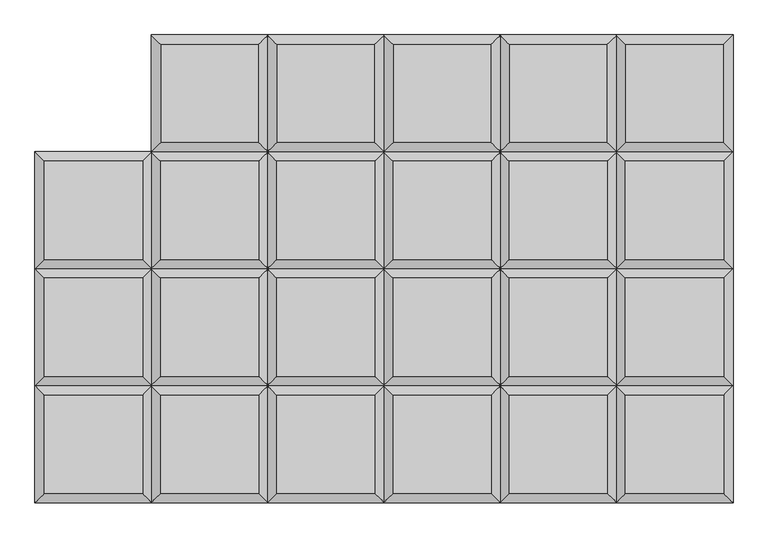
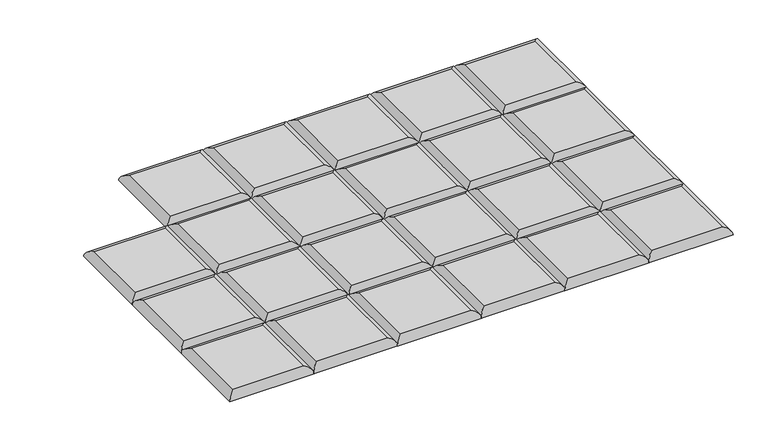
"""IFC4 building model written with IfcOpenShell, lengths in millimetres: furniture geometry."""

from ifc_helpers import new_model, si_unit, frame, origin, place, context, project, spatial, ellipse_curve, source, transform, mapped, element, save
from ifc_brep_helpers import plane_surface, cylinder_surface, advanced_brep


def furniture_375f0c84(model_context):
    return source(origin(), model_context, "Body", "AdvancedBrep", [
        advanced_brep(
        [(755.1519878, 204.2894878, 411.6605122), (568.8230122, 204.2894878, 411.6605122), (568.8230122, 17.9605122, 411.6605122), (755.1519878, 17.9605122, 411.6605122), (773.1125, 0.0, 393.7), (550.8625, 0.0, 393.7), (550.8625, 222.25, 393.7), (773.1125, 222.25, 393.7)],
        [
            (0, 1),
            (1, 2),
            (2, 3),
            (3, 0),
            (4, 5),
            (5, 6),
            (6, 7),
            (7, 4),
            (7, 0, ellipse_curve(frame((755.1519878, 204.2894878, 393.7), z_axis=(0.7071067811865475, -0.7071067811865475, 0.0), x_axis=(-0.7071067811865474, -0.7071067811865476, 0.0)), 25.4, 17.9605122)),
            (3, 4, ellipse_curve(frame((755.1519878, 17.9605122, 393.7), z_axis=(0.7071067811865475, 0.7071067811865475, 0.0), x_axis=(0.7071067811865474, -0.7071067811865476, 0.0)), 25.4, 17.9605122)),
            (6, 1, ellipse_curve(frame((568.8230122, 204.2894878, 393.7), z_axis=(0.7071067811865475, 0.7071067811865475, 0.0), x_axis=(0.7071067811865476, -0.7071067811865474, 0.0)), 25.4, 17.9605122)),
            (5, 2, ellipse_curve(frame((568.8230122, 17.9605122, 393.7), z_axis=(-0.7071067811865475, 0.7071067811865475, 0.0), x_axis=(0.7071067811865474, 0.7071067811865476, 0.0)), 25.4, 17.9605122)),
        ],
        [
            plane_surface(frame((568.8230122, 17.9605122, 411.6605122), z_axis=(0.0, 0.0, 1.0), x_axis=(-1.0, 0.0, 0.0))),
            plane_surface(frame((568.8230122, 17.9605122, 393.7), z_axis=(0.0, 0.0, -1.0), x_axis=(1.0, 0.0, 0.0))),
            cylinder_surface(frame((755.1519878, 0.0, 393.7), z_axis=(0.0, -1.0, 0.0), x_axis=(1.0, 0.0, 0.0)), 17.9605122),
            cylinder_surface(frame((773.1125, 204.2894878, 393.7), z_axis=(1.0, 0.0, 0.0), x_axis=(0.0, 1.0, 0.0)), 17.9605122),
            cylinder_surface(frame((568.8230122, 222.25, 393.7), z_axis=(0.0, 1.0, 0.0), x_axis=(-1.0, 0.0, 0.0)), 17.9605122),
            cylinder_surface(frame((550.8625, 17.9605122, 393.7), z_axis=(-1.0, 0.0, 0.0), x_axis=(0.0, -1.0, 0.0)), 17.9605122),
        ],
        [
            (0, [[1, 2, 3, 4]]),
            (1, [[5, 6, 7, 8]]),
            (2, [[-8, 9, -4, 10]]),
            (3, [[-7, 11, -1, -9]]),
            (4, [[-6, 12, -2, -11]]),
            (5, [[-3, -12, -5, -10]]),
        ],
    ),
        advanced_brep(
        [(755.1519878, -17.9605122, 411.6605122), (568.8230122, -17.9605122, 411.6605122), (568.8230122, -204.2894878, 411.6605122), (755.1519878, -204.2894878, 411.6605122), (773.1125, -222.25, 393.7), (550.8625, -222.25, 393.7), (550.8625, 0.0, 393.7), (773.1125, 0.0, 393.7)],
        [
            (0, 1),
            (1, 2),
            (2, 3),
            (3, 0),
            (4, 5),
            (5, 6),
            (6, 7),
            (7, 4),
            (7, 0, ellipse_curve(frame((755.1519878, -17.9605122, 393.7), z_axis=(0.7071067811865475, -0.7071067811865475, 0.0), x_axis=(-0.7071067811865474, -0.7071067811865476, 0.0)), 25.4, 17.9605122)),
            (3, 4, ellipse_curve(frame((755.1519878, -204.2894878, 393.7), z_axis=(0.7071067811865475, 0.7071067811865475, 0.0), x_axis=(0.7071067811865474, -0.7071067811865476, 0.0)), 25.4, 17.9605122)),
            (6, 1, ellipse_curve(frame((568.8230122, -17.9605122, 393.7), z_axis=(0.7071067811865475, 0.7071067811865475, 0.0), x_axis=(0.7071067811865476, -0.7071067811865474, 0.0)), 25.4, 17.9605122)),
            (5, 2, ellipse_curve(frame((568.8230122, -204.2894878, 393.7), z_axis=(-0.7071067811865475, 0.7071067811865475, 0.0), x_axis=(0.7071067811865474, 0.7071067811865476, 0.0)), 25.4, 17.9605122)),
        ],
        [
            plane_surface(frame((568.8230122, -204.2894878, 411.6605122), z_axis=(0.0, 0.0, 1.0), x_axis=(-1.0, 0.0, 0.0))),
            plane_surface(frame((568.8230122, -204.2894878, 393.7), z_axis=(0.0, 0.0, -1.0), x_axis=(1.0, 0.0, 0.0))),
            cylinder_surface(frame((755.1519878, -222.25, 393.7), z_axis=(0.0, -1.0, 0.0), x_axis=(1.0, 0.0, 0.0)), 17.9605122),
            cylinder_surface(frame((773.1125, -17.9605122, 393.7), z_axis=(1.0, 0.0, 0.0), x_axis=(0.0, 1.0, 0.0)), 17.9605122),
            cylinder_surface(frame((568.8230122, 0.0, 393.7), z_axis=(0.0, 1.0, 0.0), x_axis=(-1.0, 0.0, 0.0)), 17.9605122),
            cylinder_surface(frame((550.8625, -204.2894878, 393.7), z_axis=(-1.0, 0.0, 0.0), x_axis=(0.0, -1.0, 0.0)), 17.9605122),
        ],
        [
            (0, [[1, 2, 3, 4]]),
            (1, [[5, 6, 7, 8]]),
            (2, [[-8, 9, -4, 10]]),
            (3, [[-7, 11, -1, -9]]),
            (4, [[-6, 12, -2, -11]]),
            (5, [[-3, -12, -5, -10]]),
        ],
    ),
        advanced_brep(
        [(755.1519878, -240.2105122, 411.6605122), (568.8230122, -240.2105122, 411.6605122), (568.8230122, -426.5394878, 411.6605122), (755.1519878, -426.5394878, 411.6605122), (773.1125, -444.5, 393.7), (550.8625, -444.5, 393.7), (550.8625, -222.25, 393.7), (773.1125, -222.25, 393.7)],
        [
            (0, 1),
            (1, 2),
            (2, 3),
            (3, 0),
            (4, 5),
            (5, 6),
            (6, 7),
            (7, 4),
            (7, 0, ellipse_curve(frame((755.1519878, -240.2105122, 393.7), z_axis=(0.7071067811865475, -0.7071067811865475, 0.0), x_axis=(-0.7071067811865474, -0.7071067811865476, 0.0)), 25.4, 17.9605122)),
            (3, 4, ellipse_curve(frame((755.1519878, -426.5394878, 393.7), z_axis=(0.7071067811865475, 0.7071067811865475, 0.0), x_axis=(0.7071067811865474, -0.7071067811865476, 0.0)), 25.4, 17.9605122)),
            (6, 1, ellipse_curve(frame((568.8230122, -240.2105122, 393.7), z_axis=(0.7071067811865475, 0.7071067811865475, 0.0), x_axis=(0.7071067811865476, -0.7071067811865474, 0.0)), 25.4, 17.9605122)),
            (5, 2, ellipse_curve(frame((568.8230122, -426.5394878, 393.7), z_axis=(-0.7071067811865475, 0.7071067811865475, 0.0), x_axis=(0.7071067811865474, 0.7071067811865476, 0.0)), 25.4, 17.9605122)),
        ],
        [
            plane_surface(frame((568.8230122, -426.5394878, 411.6605122), z_axis=(0.0, 0.0, 1.0), x_axis=(-1.0, 0.0, 0.0))),
            plane_surface(frame((568.8230122, -426.5394878, 393.7), z_axis=(0.0, 0.0, -1.0), x_axis=(1.0, 0.0, 0.0))),
            cylinder_surface(frame((755.1519878, -444.5, 393.7), z_axis=(0.0, -1.0, 0.0), x_axis=(1.0, 0.0, 0.0)), 17.9605122),
            cylinder_surface(frame((773.1125, -240.2105122, 393.7), z_axis=(1.0, 0.0, 0.0), x_axis=(0.0, 1.0, 0.0)), 17.9605122),
            cylinder_surface(frame((568.8230122, -222.25, 393.7), z_axis=(0.0, 1.0, 0.0), x_axis=(-1.0, 0.0, 0.0)), 17.9605122),
            cylinder_surface(frame((550.8625, -426.5394878, 393.7), z_axis=(-1.0, 0.0, 0.0), x_axis=(0.0, -1.0, 0.0)), 17.9605122),
        ],
        [
            (0, [[1, 2, 3, 4]]),
            (1, [[5, 6, 7, 8]]),
            (2, [[-8, 9, -4, 10]]),
            (3, [[-7, 11, -1, -9]]),
            (4, [[-6, 12, -2, -11]]),
            (5, [[-3, -12, -5, -10]]),
        ],
    ),
        advanced_brep(
        [(773.1125, 222.25, 393.7), (773.1125, 444.5, 393.7), (755.1519878, 426.5394878, 411.6605122), (755.1519878, 240.2105122, 411.6605122), (550.8625, 444.5, 393.7), (568.8230122, 426.5394878, 411.6605122), (550.8625, 222.25, 393.7), (568.8230122, 240.2105122, 411.6605122)],
        [
            (0, 1),
            (1, 2, ellipse_curve(frame((755.1519878, 426.5394878, 393.7), z_axis=(0.7071067811865475, -0.7071067811865475, 0.0), x_axis=(-0.7071067811865474, -0.7071067811865476, 0.0)), 25.4, 17.9605122)),
            (2, 3),
            (3, 0, ellipse_curve(frame((755.1519878, 240.2105122, 393.7), z_axis=(0.7071067811865475, 0.7071067811865475, 0.0), x_axis=(0.7071067811865474, -0.7071067811865476, 0.0)), 25.4, 17.9605122)),
            (1, 4),
            (4, 5, ellipse_curve(frame((568.8230122, 426.5394878, 393.7), z_axis=(0.7071067811865475, 0.7071067811865475, 0.0), x_axis=(0.7071067811865476, -0.7071067811865474, 0.0)), 25.4, 17.9605122)),
            (5, 2),
            (4, 6),
            (6, 7, ellipse_curve(frame((568.8230122, 240.2105122, 393.7), z_axis=(-0.7071067811865475, 0.7071067811865475, 0.0), x_axis=(0.7071067811865474, 0.7071067811865476, 0.0)), 25.4, 17.9605122)),
            (7, 5),
            (3, 7),
            (6, 0),
        ],
        [
            cylinder_surface(frame((755.1519878, 222.25, 393.7), z_axis=(0.0, -1.0, 0.0), x_axis=(1.0, 0.0, 0.0)), 17.9605122),
            cylinder_surface(frame((773.1125, 426.5394878, 393.7), z_axis=(1.0, 0.0, 0.0), x_axis=(0.0, 1.0, 0.0)), 17.9605122),
            cylinder_surface(frame((568.8230122, 444.5, 393.7), z_axis=(0.0, 1.0, 0.0), x_axis=(-1.0, 0.0, 0.0)), 17.9605122),
            cylinder_surface(frame((550.8625, 240.2105122, 393.7), z_axis=(-1.0, 0.0, 0.0), x_axis=(0.0, -1.0, 0.0)), 17.9605122),
            plane_surface(frame((550.8625, 222.25, 393.7), z_axis=(0.0, 0.0, -1.0), x_axis=(1.0, 0.0, 0.0))),
            plane_surface(frame((568.8230122, 240.2105122, 411.6605122), z_axis=(0.0, 0.0, 1.0), x_axis=(-1.0, 0.0, 0.0))),
        ],
        [
            (0, [[1, 2, 3, 4]]),
            (1, [[5, 6, 7, -2]]),
            (2, [[8, 9, 10, -6]]),
            (3, [[11, -9, 12, -4]]),
            (4, [[-12, -8, -5, -1]]),
            (5, [[-7, -10, -11, -3]]),
        ],
    ),
        advanced_brep(
        [(534.4894878, 204.2894878, 411.6605122), (348.1605122, 204.2894878, 411.6605122), (348.1605122, 17.9605122, 411.6605122), (534.4894878, 17.9605122, 411.6605122), (552.45, 0.0, 393.7), (330.2, 0.0, 393.7), (330.2, 222.25, 393.7), (552.45, 222.25, 393.7)],
        [
            (0, 1),
            (1, 2),
            (2, 3),
            (3, 0),
            (4, 5),
            (5, 6),
            (6, 7),
            (7, 4),
            (7, 0, ellipse_curve(frame((534.4894878, 204.2894878, 393.7), z_axis=(0.7071067811865475, -0.7071067811865475, 0.0), x_axis=(-0.7071067811865474, -0.7071067811865476, 0.0)), 25.4, 17.9605122)),
            (3, 4, ellipse_curve(frame((534.4894878, 17.9605122, 393.7), z_axis=(0.7071067811865475, 0.7071067811865475, 0.0), x_axis=(0.7071067811865474, -0.7071067811865476, 0.0)), 25.4, 17.9605122)),
            (6, 1, ellipse_curve(frame((348.1605122, 204.2894878, 393.7), z_axis=(0.7071067811865475, 0.7071067811865475, 0.0), x_axis=(0.7071067811865476, -0.7071067811865474, 0.0)), 25.4, 17.9605122)),
            (5, 2, ellipse_curve(frame((348.1605122, 17.9605122, 393.7), z_axis=(-0.7071067811865475, 0.7071067811865475, 0.0), x_axis=(0.7071067811865474, 0.7071067811865476, 0.0)), 25.4, 17.9605122)),
        ],
        [
            plane_surface(frame((348.1605122, 17.9605122, 411.6605122), z_axis=(0.0, 0.0, 1.0), x_axis=(-1.0, 0.0, 0.0))),
            plane_surface(frame((348.1605122, 17.9605122, 393.7), z_axis=(0.0, 0.0, -1.0), x_axis=(1.0, 0.0, 0.0))),
            cylinder_surface(frame((534.4894878, 0.0, 393.7), z_axis=(0.0, -1.0, 0.0), x_axis=(1.0, 0.0, 0.0)), 17.9605122),
            cylinder_surface(frame((552.45, 204.2894878, 393.7), z_axis=(1.0, 0.0, 0.0), x_axis=(0.0, 1.0, 0.0)), 17.9605122),
            cylinder_surface(frame((348.1605122, 222.25, 393.7), z_axis=(0.0, 1.0, 0.0), x_axis=(-1.0, 0.0, 0.0)), 17.9605122),
            cylinder_surface(frame((330.2, 17.9605122, 393.7), z_axis=(-1.0, 0.0, 0.0), x_axis=(0.0, -1.0, 0.0)), 17.9605122),
        ],
        [
            (0, [[1, 2, 3, 4]]),
            (1, [[5, 6, 7, 8]]),
            (2, [[-8, 9, -4, 10]]),
            (3, [[-7, 11, -1, -9]]),
            (4, [[-6, 12, -2, -11]]),
            (5, [[-3, -12, -5, -10]]),
        ],
    ),
        advanced_brep(
        [(534.4894878, -17.9605122, 411.6605122), (348.1605122, -17.9605122, 411.6605122), (348.1605122, -204.2894878, 411.6605122), (534.4894878, -204.2894878, 411.6605122), (552.45, -222.25, 393.7), (330.2, -222.25, 393.7), (330.2, 0.0, 393.7), (552.45, 0.0, 393.7)],
        [
            (0, 1),
            (1, 2),
            (2, 3),
            (3, 0),
            (4, 5),
            (5, 6),
            (6, 7),
            (7, 4),
            (7, 0, ellipse_curve(frame((534.4894878, -17.9605122, 393.7), z_axis=(0.7071067811865475, -0.7071067811865475, 0.0), x_axis=(-0.7071067811865474, -0.7071067811865476, 0.0)), 25.4, 17.9605122)),
            (3, 4, ellipse_curve(frame((534.4894878, -204.2894878, 393.7), z_axis=(0.7071067811865475, 0.7071067811865475, 0.0), x_axis=(0.7071067811865474, -0.7071067811865476, 0.0)), 25.4, 17.9605122)),
            (6, 1, ellipse_curve(frame((348.1605122, -17.9605122, 393.7), z_axis=(0.7071067811865475, 0.7071067811865475, 0.0), x_axis=(0.7071067811865476, -0.7071067811865474, 0.0)), 25.4, 17.9605122)),
            (5, 2, ellipse_curve(frame((348.1605122, -204.2894878, 393.7), z_axis=(-0.7071067811865475, 0.7071067811865475, 0.0), x_axis=(0.7071067811865474, 0.7071067811865476, 0.0)), 25.4, 17.9605122)),
        ],
        [
            plane_surface(frame((348.1605122, -204.2894878, 411.6605122), z_axis=(0.0, 0.0, 1.0), x_axis=(-1.0, 0.0, 0.0))),
            plane_surface(frame((348.1605122, -204.2894878, 393.7), z_axis=(0.0, 0.0, -1.0), x_axis=(1.0, 0.0, 0.0))),
            cylinder_surface(frame((534.4894878, -222.25, 393.7), z_axis=(0.0, -1.0, 0.0), x_axis=(1.0, 0.0, 0.0)), 17.9605122),
            cylinder_surface(frame((552.45, -17.9605122, 393.7), z_axis=(1.0, 0.0, 0.0), x_axis=(0.0, 1.0, 0.0)), 17.9605122),
            cylinder_surface(frame((348.1605122, 0.0, 393.7), z_axis=(0.0, 1.0, 0.0), x_axis=(-1.0, 0.0, 0.0)), 17.9605122),
            cylinder_surface(frame((330.2, -204.2894878, 393.7), z_axis=(-1.0, 0.0, 0.0), x_axis=(0.0, -1.0, 0.0)), 17.9605122),
        ],
        [
            (0, [[1, 2, 3, 4]]),
            (1, [[5, 6, 7, 8]]),
            (2, [[-8, 9, -4, 10]]),
            (3, [[-7, 11, -1, -9]]),
            (4, [[-6, 12, -2, -11]]),
            (5, [[-3, -12, -5, -10]]),
        ],
    ),
        advanced_brep(
        [(534.4894878, -240.2105122, 411.6605122), (348.1605122, -240.2105122, 411.6605122), (348.1605122, -426.5394878, 411.6605122), (534.4894878, -426.5394878, 411.6605122), (552.45, -444.5, 393.7), (330.2, -444.5, 393.7), (330.2, -222.25, 393.7), (552.45, -222.25, 393.7)],
        [
            (0, 1),
            (1, 2),
            (2, 3),
            (3, 0),
            (4, 5),
            (5, 6),
            (6, 7),
            (7, 4),
            (7, 0, ellipse_curve(frame((534.4894878, -240.2105122, 393.7), z_axis=(0.7071067811865475, -0.7071067811865475, 0.0), x_axis=(-0.7071067811865474, -0.7071067811865476, 0.0)), 25.4, 17.9605122)),
            (3, 4, ellipse_curve(frame((534.4894878, -426.5394878, 393.7), z_axis=(0.7071067811865475, 0.7071067811865475, 0.0), x_axis=(0.7071067811865474, -0.7071067811865476, 0.0)), 25.4, 17.9605122)),
            (6, 1, ellipse_curve(frame((348.1605122, -240.2105122, 393.7), z_axis=(0.7071067811865475, 0.7071067811865475, 0.0), x_axis=(0.7071067811865476, -0.7071067811865474, 0.0)), 25.4, 17.9605122)),
            (5, 2, ellipse_curve(frame((348.1605122, -426.5394878, 393.7), z_axis=(-0.7071067811865475, 0.7071067811865475, 0.0), x_axis=(0.7071067811865474, 0.7071067811865476, 0.0)), 25.4, 17.9605122)),
        ],
        [
            plane_surface(frame((348.1605122, -426.5394878, 411.6605122), z_axis=(0.0, 0.0, 1.0), x_axis=(-1.0, 0.0, 0.0))),
            plane_surface(frame((348.1605122, -426.5394878, 393.7), z_axis=(0.0, 0.0, -1.0), x_axis=(1.0, 0.0, 0.0))),
            cylinder_surface(frame((534.4894878, -444.5, 393.7), z_axis=(0.0, -1.0, 0.0), x_axis=(1.0, 0.0, 0.0)), 17.9605122),
            cylinder_surface(frame((552.45, -240.2105122, 393.7), z_axis=(1.0, 0.0, 0.0), x_axis=(0.0, 1.0, 0.0)), 17.9605122),
            cylinder_surface(frame((348.1605122, -222.25, 393.7), z_axis=(0.0, 1.0, 0.0), x_axis=(-1.0, 0.0, 0.0)), 17.9605122),
            cylinder_surface(frame((330.2, -426.5394878, 393.7), z_axis=(-1.0, 0.0, 0.0), x_axis=(0.0, -1.0, 0.0)), 17.9605122),
        ],
        [
            (0, [[1, 2, 3, 4]]),
            (1, [[5, 6, 7, 8]]),
            (2, [[-8, 9, -4, 10]]),
            (3, [[-7, 11, -1, -9]]),
            (4, [[-6, 12, -2, -11]]),
            (5, [[-3, -12, -5, -10]]),
        ],
    ),
        advanced_brep(
        [(552.45, 222.25, 393.7), (552.45, 444.5, 393.7), (534.4894878, 426.5394878, 411.6605122), (534.4894878, 240.2105122, 411.6605122), (330.2, 444.5, 393.7), (348.1605122, 426.5394878, 411.6605122), (330.2, 222.25, 393.7), (348.1605122, 240.2105122, 411.6605122)],
        [
            (0, 1),
            (1, 2, ellipse_curve(frame((534.4894878, 426.5394878, 393.7), z_axis=(0.7071067811865475, -0.7071067811865475, 0.0), x_axis=(-0.7071067811865474, -0.7071067811865476, 0.0)), 25.4, 17.9605122)),
            (2, 3),
            (3, 0, ellipse_curve(frame((534.4894878, 240.2105122, 393.7), z_axis=(0.7071067811865475, 0.7071067811865475, 0.0), x_axis=(0.7071067811865474, -0.7071067811865476, 0.0)), 25.4, 17.9605122)),
            (1, 4),
            (4, 5, ellipse_curve(frame((348.1605122, 426.5394878, 393.7), z_axis=(0.7071067811865475, 0.7071067811865475, 0.0), x_axis=(0.7071067811865476, -0.7071067811865474, 0.0)), 25.4, 17.9605122)),
            (5, 2),
            (4, 6),
            (6, 7, ellipse_curve(frame((348.1605122, 240.2105122, 393.7), z_axis=(-0.7071067811865475, 0.7071067811865475, 0.0), x_axis=(0.7071067811865474, 0.7071067811865476, 0.0)), 25.4, 17.9605122)),
            (7, 5),
            (3, 7),
            (6, 0),
        ],
        [
            cylinder_surface(frame((534.4894878, 222.25, 393.7), z_axis=(0.0, -1.0, 0.0), x_axis=(1.0, 0.0, 0.0)), 17.9605122),
            cylinder_surface(frame((552.45, 426.5394878, 393.7), z_axis=(1.0, 0.0, 0.0), x_axis=(0.0, 1.0, 0.0)), 17.9605122),
            cylinder_surface(frame((348.1605122, 444.5, 393.7), z_axis=(0.0, 1.0, 0.0), x_axis=(-1.0, 0.0, 0.0)), 17.9605122),
            cylinder_surface(frame((330.2, 240.2105122, 393.7), z_axis=(-1.0, 0.0, 0.0), x_axis=(0.0, -1.0, 0.0)), 17.9605122),
            plane_surface(frame((330.2, 222.25, 393.7), z_axis=(0.0, 0.0, -1.0), x_axis=(1.0, 0.0, 0.0))),
            plane_surface(frame((348.1605122, 240.2105122, 411.6605122), z_axis=(0.0, 0.0, 1.0), x_axis=(-1.0, 0.0, 0.0))),
        ],
        [
            (0, [[1, 2, 3, 4]]),
            (1, [[5, 6, 7, -2]]),
            (2, [[8, 9, 10, -6]]),
            (3, [[11, -9, 12, -4]]),
            (4, [[-12, -8, -5, -1]]),
            (5, [[-7, -10, -11, -3]]),
        ],
    ),
        advanced_brep(
        [(313.8269878, 204.2894878, 411.6605122), (127.4980122, 204.2894878, 411.6605122), (127.4980122, 17.9605122, 411.6605122), (313.8269878, 17.9605122, 411.6605122), (331.7875, 0.0, 393.7), (109.5375, 0.0, 393.7), (109.5375, 222.25, 393.7), (331.7875, 222.25, 393.7)],
        [
            (0, 1),
            (1, 2),
            (2, 3),
            (3, 0),
            (4, 5),
            (5, 6),
            (6, 7),
            (7, 4),
            (7, 0, ellipse_curve(frame((313.8269878, 204.2894878, 393.7), z_axis=(0.7071067811865475, -0.7071067811865475, 0.0), x_axis=(-0.7071067811865474, -0.7071067811865476, 0.0)), 25.4, 17.9605122)),
            (3, 4, ellipse_curve(frame((313.8269878, 17.9605122, 393.7), z_axis=(0.7071067811865475, 0.7071067811865475, 0.0), x_axis=(0.7071067811865474, -0.7071067811865476, 0.0)), 25.4, 17.9605122)),
            (6, 1, ellipse_curve(frame((127.4980122, 204.2894878, 393.7), z_axis=(0.7071067811865475, 0.7071067811865475, 0.0), x_axis=(0.7071067811865476, -0.7071067811865474, 0.0)), 25.4, 17.9605122)),
            (5, 2, ellipse_curve(frame((127.4980122, 17.9605122, 393.7), z_axis=(-0.7071067811865475, 0.7071067811865475, 0.0), x_axis=(0.7071067811865474, 0.7071067811865476, 0.0)), 25.4, 17.9605122)),
        ],
        [
            plane_surface(frame((127.4980122, 17.9605122, 411.6605122), z_axis=(0.0, 0.0, 1.0), x_axis=(-1.0, 0.0, 0.0))),
            plane_surface(frame((127.4980122, 17.9605122, 393.7), z_axis=(0.0, 0.0, -1.0), x_axis=(1.0, 0.0, 0.0))),
            cylinder_surface(frame((313.8269878, 0.0, 393.7), z_axis=(0.0, -1.0, 0.0), x_axis=(1.0, 0.0, 0.0)), 17.9605122),
            cylinder_surface(frame((331.7875, 204.2894878, 393.7), z_axis=(1.0, 0.0, 0.0), x_axis=(0.0, 1.0, 0.0)), 17.9605122),
            cylinder_surface(frame((127.4980122, 222.25, 393.7), z_axis=(0.0, 1.0, 0.0), x_axis=(-1.0, 0.0, 0.0)), 17.9605122),
            cylinder_surface(frame((109.5375, 17.9605122, 393.7), z_axis=(-1.0, 0.0, 0.0), x_axis=(0.0, -1.0, 0.0)), 17.9605122),
        ],
        [
            (0, [[1, 2, 3, 4]]),
            (1, [[5, 6, 7, 8]]),
            (2, [[-8, 9, -4, 10]]),
            (3, [[-7, 11, -1, -9]]),
            (4, [[-6, 12, -2, -11]]),
            (5, [[-3, -12, -5, -10]]),
        ],
    ),
        advanced_brep(
        [(313.8269878, -17.9605122, 411.6605122), (127.4980122, -17.9605122, 411.6605122), (127.4980122, -204.2894878, 411.6605122), (313.8269878, -204.2894878, 411.6605122), (331.7875, -222.25, 393.7), (109.5375, -222.25, 393.7), (109.5375, 0.0, 393.7), (331.7875, 0.0, 393.7)],
        [
            (0, 1),
            (1, 2),
            (2, 3),
            (3, 0),
            (4, 5),
            (5, 6),
            (6, 7),
            (7, 4),
            (7, 0, ellipse_curve(frame((313.8269878, -17.9605122, 393.7), z_axis=(0.7071067811865475, -0.7071067811865475, 0.0), x_axis=(-0.7071067811865474, -0.7071067811865476, 0.0)), 25.4, 17.9605122)),
            (3, 4, ellipse_curve(frame((313.8269878, -204.2894878, 393.7), z_axis=(0.7071067811865475, 0.7071067811865475, 0.0), x_axis=(0.7071067811865474, -0.7071067811865476, 0.0)), 25.4, 17.9605122)),
            (6, 1, ellipse_curve(frame((127.4980122, -17.9605122, 393.7), z_axis=(0.7071067811865475, 0.7071067811865475, 0.0), x_axis=(0.7071067811865476, -0.7071067811865474, 0.0)), 25.4, 17.9605122)),
            (5, 2, ellipse_curve(frame((127.4980122, -204.2894878, 393.7), z_axis=(-0.7071067811865475, 0.7071067811865475, 0.0), x_axis=(0.7071067811865474, 0.7071067811865476, 0.0)), 25.4, 17.9605122)),
        ],
        [
            plane_surface(frame((127.4980122, -204.2894878, 411.6605122), z_axis=(0.0, 0.0, 1.0), x_axis=(-1.0, 0.0, 0.0))),
            plane_surface(frame((127.4980122, -204.2894878, 393.7), z_axis=(0.0, 0.0, -1.0), x_axis=(1.0, 0.0, 0.0))),
            cylinder_surface(frame((313.8269878, -222.25, 393.7), z_axis=(0.0, -1.0, 0.0), x_axis=(1.0, 0.0, 0.0)), 17.9605122),
            cylinder_surface(frame((331.7875, -17.9605122, 393.7), z_axis=(1.0, 0.0, 0.0), x_axis=(0.0, 1.0, 0.0)), 17.9605122),
            cylinder_surface(frame((127.4980122, 0.0, 393.7), z_axis=(0.0, 1.0, 0.0), x_axis=(-1.0, 0.0, 0.0)), 17.9605122),
            cylinder_surface(frame((109.5375, -204.2894878, 393.7), z_axis=(-1.0, 0.0, 0.0), x_axis=(0.0, -1.0, 0.0)), 17.9605122),
        ],
        [
            (0, [[1, 2, 3, 4]]),
            (1, [[5, 6, 7, 8]]),
            (2, [[-8, 9, -4, 10]]),
            (3, [[-7, 11, -1, -9]]),
            (4, [[-6, 12, -2, -11]]),
            (5, [[-3, -12, -5, -10]]),
        ],
    ),
        advanced_brep(
        [(313.8269878, -240.2105122, 411.6605122), (127.4980122, -240.2105122, 411.6605122), (127.4980122, -426.5394878, 411.6605122), (313.8269878, -426.5394878, 411.6605122), (331.7875, -444.5, 393.7), (109.5375, -444.5, 393.7), (109.5375, -222.25, 393.7), (331.7875, -222.25, 393.7)],
        [
            (0, 1),
            (1, 2),
            (2, 3),
            (3, 0),
            (4, 5),
            (5, 6),
            (6, 7),
            (7, 4),
            (7, 0, ellipse_curve(frame((313.8269878, -240.2105122, 393.7), z_axis=(0.7071067811865475, -0.7071067811865475, 0.0), x_axis=(-0.7071067811865474, -0.7071067811865476, 0.0)), 25.4, 17.9605122)),
            (3, 4, ellipse_curve(frame((313.8269878, -426.5394878, 393.7), z_axis=(0.7071067811865475, 0.7071067811865475, 0.0), x_axis=(0.7071067811865474, -0.7071067811865476, 0.0)), 25.4, 17.9605122)),
            (6, 1, ellipse_curve(frame((127.4980122, -240.2105122, 393.7), z_axis=(0.7071067811865475, 0.7071067811865475, 0.0), x_axis=(0.7071067811865476, -0.7071067811865474, 0.0)), 25.4, 17.9605122)),
            (5, 2, ellipse_curve(frame((127.4980122, -426.5394878, 393.7), z_axis=(-0.7071067811865475, 0.7071067811865475, 0.0), x_axis=(0.7071067811865474, 0.7071067811865476, 0.0)), 25.4, 17.9605122)),
        ],
        [
            plane_surface(frame((127.4980122, -426.5394878, 411.6605122), z_axis=(0.0, 0.0, 1.0), x_axis=(-1.0, 0.0, 0.0))),
            plane_surface(frame((127.4980122, -426.5394878, 393.7), z_axis=(0.0, 0.0, -1.0), x_axis=(1.0, 0.0, 0.0))),
            cylinder_surface(frame((313.8269878, -444.5, 393.7), z_axis=(0.0, -1.0, 0.0), x_axis=(1.0, 0.0, 0.0)), 17.9605122),
            cylinder_surface(frame((331.7875, -240.2105122, 393.7), z_axis=(1.0, 0.0, 0.0), x_axis=(0.0, 1.0, 0.0)), 17.9605122),
            cylinder_surface(frame((127.4980122, -222.25, 393.7), z_axis=(0.0, 1.0, 0.0), x_axis=(-1.0, 0.0, 0.0)), 17.9605122),
            cylinder_surface(frame((109.5375, -426.5394878, 393.7), z_axis=(-1.0, 0.0, 0.0), x_axis=(0.0, -1.0, 0.0)), 17.9605122),
        ],
        [
            (0, [[1, 2, 3, 4]]),
            (1, [[5, 6, 7, 8]]),
            (2, [[-8, 9, -4, 10]]),
            (3, [[-7, 11, -1, -9]]),
            (4, [[-6, 12, -2, -11]]),
            (5, [[-3, -12, -5, -10]]),
        ],
    ),
        advanced_brep(
        [(331.7875, 222.25, 393.7), (331.7875, 444.5, 393.7), (313.8269878, 426.5394878, 411.6605122), (313.8269878, 240.2105122, 411.6605122), (109.5375, 444.5, 393.7), (127.4980122, 426.5394878, 411.6605122), (109.5375, 222.25, 393.7), (127.4980122, 240.2105122, 411.6605122)],
        [
            (0, 1),
            (1, 2, ellipse_curve(frame((313.8269878, 426.5394878, 393.7), z_axis=(0.7071067811865475, -0.7071067811865475, 0.0), x_axis=(-0.7071067811865474, -0.7071067811865476, 0.0)), 25.4, 17.9605122)),
            (2, 3),
            (3, 0, ellipse_curve(frame((313.8269878, 240.2105122, 393.7), z_axis=(0.7071067811865475, 0.7071067811865475, 0.0), x_axis=(0.7071067811865474, -0.7071067811865476, 0.0)), 25.4, 17.9605122)),
            (1, 4),
            (4, 5, ellipse_curve(frame((127.4980122, 426.5394878, 393.7), z_axis=(0.7071067811865475, 0.7071067811865475, 0.0), x_axis=(0.7071067811865476, -0.7071067811865474, 0.0)), 25.4, 17.9605122)),
            (5, 2),
            (4, 6),
            (6, 7, ellipse_curve(frame((127.4980122, 240.2105122, 393.7), z_axis=(-0.7071067811865475, 0.7071067811865475, 0.0), x_axis=(0.7071067811865474, 0.7071067811865476, 0.0)), 25.4, 17.9605122)),
            (7, 5),
            (3, 7),
            (6, 0),
        ],
        [
            cylinder_surface(frame((313.8269878, 222.25, 393.7), z_axis=(0.0, -1.0, 0.0), x_axis=(1.0, 0.0, 0.0)), 17.9605122),
            cylinder_surface(frame((331.7875, 426.5394878, 393.7), z_axis=(1.0, 0.0, 0.0), x_axis=(0.0, 1.0, 0.0)), 17.9605122),
            cylinder_surface(frame((127.4980122, 444.5, 393.7), z_axis=(0.0, 1.0, 0.0), x_axis=(-1.0, 0.0, 0.0)), 17.9605122),
            cylinder_surface(frame((109.5375, 240.2105122, 393.7), z_axis=(-1.0, 0.0, 0.0), x_axis=(0.0, -1.0, 0.0)), 17.9605122),
            plane_surface(frame((109.5375, 222.25, 393.7), z_axis=(0.0, 0.0, -1.0), x_axis=(1.0, 0.0, 0.0))),
            plane_surface(frame((127.4980122, 240.2105122, 411.6605122), z_axis=(0.0, 0.0, 1.0), x_axis=(-1.0, 0.0, 0.0))),
        ],
        [
            (0, [[1, 2, 3, 4]]),
            (1, [[5, 6, 7, -2]]),
            (2, [[8, 9, 10, -6]]),
            (3, [[11, -9, 12, -4]]),
            (4, [[-12, -8, -5, -1]]),
            (5, [[-7, -10, -11, -3]]),
        ],
    ),
        advanced_brep(
        [(93.1644878, 204.2894878, 411.6605122), (-93.1644878, 204.2894878, 411.6605122), (-93.1644878, 17.9605122, 411.6605122), (93.1644878, 17.9605122, 411.6605122), (111.125, 0.0, 393.7), (-111.125, 0.0, 393.7), (-111.125, 222.25, 393.7), (111.125, 222.25, 393.7)],
        [
            (0, 1),
            (1, 2),
            (2, 3),
            (3, 0),
            (4, 5),
            (5, 6),
            (6, 7),
            (7, 4),
            (7, 0, ellipse_curve(frame((93.1644878, 204.2894878, 393.7), z_axis=(0.7071067811865475, -0.7071067811865475, 0.0), x_axis=(-0.7071067811865474, -0.7071067811865476, 0.0)), 25.4, 17.9605122)),
            (3, 4, ellipse_curve(frame((93.1644878, 17.9605122, 393.7), z_axis=(0.7071067811865475, 0.7071067811865475, 0.0), x_axis=(0.7071067811865474, -0.7071067811865476, 0.0)), 25.4, 17.9605122)),
            (6, 1, ellipse_curve(frame((-93.1644878, 204.2894878, 393.7), z_axis=(0.7071067811865475, 0.7071067811865475, 0.0), x_axis=(0.7071067811865476, -0.7071067811865474, 0.0)), 25.4, 17.9605122)),
            (5, 2, ellipse_curve(frame((-93.1644878, 17.9605122, 393.7), z_axis=(-0.7071067811865475, 0.7071067811865475, 0.0), x_axis=(0.7071067811865474, 0.7071067811865476, 0.0)), 25.4, 17.9605122)),
        ],
        [
            plane_surface(frame((-93.1644878, 17.9605122, 411.6605122), z_axis=(0.0, 0.0, 1.0), x_axis=(-1.0, 0.0, 0.0))),
            plane_surface(frame((-93.1644878, 17.9605122, 393.7), z_axis=(0.0, 0.0, -1.0), x_axis=(1.0, 0.0, 0.0))),
            cylinder_surface(frame((93.1644878, 0.0, 393.7), z_axis=(0.0, -1.0, 0.0), x_axis=(1.0, 0.0, 0.0)), 17.9605122),
            cylinder_surface(frame((111.125, 204.2894878, 393.7), z_axis=(1.0, 0.0, 0.0), x_axis=(0.0, 1.0, 0.0)), 17.9605122),
            cylinder_surface(frame((-93.1644878, 222.25, 393.7), z_axis=(0.0, 1.0, 0.0), x_axis=(-1.0, 0.0, 0.0)), 17.9605122),
            cylinder_surface(frame((-111.125, 17.9605122, 393.7), z_axis=(-1.0, 0.0, 0.0), x_axis=(0.0, -1.0, 0.0)), 17.9605122),
        ],
        [
            (0, [[1, 2, 3, 4]]),
            (1, [[5, 6, 7, 8]]),
            (2, [[-8, 9, -4, 10]]),
            (3, [[-7, 11, -1, -9]]),
            (4, [[-6, 12, -2, -11]]),
            (5, [[-3, -12, -5, -10]]),
        ],
    ),
        advanced_brep(
        [(93.1644878, -17.9605122, 411.6605122), (-93.1644878, -17.9605122, 411.6605122), (-93.1644878, -204.2894878, 411.6605122), (93.1644878, -204.2894878, 411.6605122), (111.125, -222.25, 393.7), (-111.125, -222.25, 393.7), (-111.125, 0.0, 393.7), (111.125, 0.0, 393.7)],
        [
            (0, 1),
            (1, 2),
            (2, 3),
            (3, 0),
            (4, 5),
            (5, 6),
            (6, 7),
            (7, 4),
            (7, 0, ellipse_curve(frame((93.1644878, -17.9605122, 393.7), z_axis=(0.7071067811865475, -0.7071067811865475, 0.0), x_axis=(-0.7071067811865474, -0.7071067811865476, 0.0)), 25.4, 17.9605122)),
            (3, 4, ellipse_curve(frame((93.1644878, -204.2894878, 393.7), z_axis=(0.7071067811865475, 0.7071067811865475, 0.0), x_axis=(0.7071067811865474, -0.7071067811865476, 0.0)), 25.4, 17.9605122)),
            (6, 1, ellipse_curve(frame((-93.1644878, -17.9605122, 393.7), z_axis=(0.7071067811865475, 0.7071067811865475, 0.0), x_axis=(0.7071067811865476, -0.7071067811865474, 0.0)), 25.4, 17.9605122)),
            (5, 2, ellipse_curve(frame((-93.1644878, -204.2894878, 393.7), z_axis=(-0.7071067811865475, 0.7071067811865475, 0.0), x_axis=(0.7071067811865474, 0.7071067811865476, 0.0)), 25.4, 17.9605122)),
        ],
        [
            plane_surface(frame((-93.1644878, -204.2894878, 411.6605122), z_axis=(0.0, 0.0, 1.0), x_axis=(-1.0, 0.0, 0.0))),
            plane_surface(frame((-93.1644878, -204.2894878, 393.7), z_axis=(0.0, 0.0, -1.0), x_axis=(1.0, 0.0, 0.0))),
            cylinder_surface(frame((93.1644878, -222.25, 393.7), z_axis=(0.0, -1.0, 0.0), x_axis=(1.0, 0.0, 0.0)), 17.9605122),
            cylinder_surface(frame((111.125, -17.9605122, 393.7), z_axis=(1.0, 0.0, 0.0), x_axis=(0.0, 1.0, 0.0)), 17.9605122),
            cylinder_surface(frame((-93.1644878, 0.0, 393.7), z_axis=(0.0, 1.0, 0.0), x_axis=(-1.0, 0.0, 0.0)), 17.9605122),
            cylinder_surface(frame((-111.125, -204.2894878, 393.7), z_axis=(-1.0, 0.0, 0.0), x_axis=(0.0, -1.0, 0.0)), 17.9605122),
        ],
        [
            (0, [[1, 2, 3, 4]]),
            (1, [[5, 6, 7, 8]]),
            (2, [[-8, 9, -4, 10]]),
            (3, [[-7, 11, -1, -9]]),
            (4, [[-6, 12, -2, -11]]),
            (5, [[-3, -12, -5, -10]]),
        ],
    ),
        advanced_brep(
        [(93.1644878, -240.2105122, 411.6605122), (-93.1644878, -240.2105122, 411.6605122), (-93.1644878, -426.5394878, 411.6605122), (93.1644878, -426.5394878, 411.6605122), (111.125, -444.5, 393.7), (-111.125, -444.5, 393.7), (-111.125, -222.25, 393.7), (111.125, -222.25, 393.7)],
        [
            (0, 1),
            (1, 2),
            (2, 3),
            (3, 0),
            (4, 5),
            (5, 6),
            (6, 7),
            (7, 4),
            (7, 0, ellipse_curve(frame((93.1644878, -240.2105122, 393.7), z_axis=(0.7071067811865475, -0.7071067811865475, 0.0), x_axis=(-0.7071067811865474, -0.7071067811865476, 0.0)), 25.4, 17.9605122)),
            (3, 4, ellipse_curve(frame((93.1644878, -426.5394878, 393.7), z_axis=(0.7071067811865475, 0.7071067811865475, 0.0), x_axis=(0.7071067811865474, -0.7071067811865476, 0.0)), 25.4, 17.9605122)),
            (6, 1, ellipse_curve(frame((-93.1644878, -240.2105122, 393.7), z_axis=(0.7071067811865475, 0.7071067811865475, 0.0), x_axis=(0.7071067811865476, -0.7071067811865474, 0.0)), 25.4, 17.9605122)),
            (5, 2, ellipse_curve(frame((-93.1644878, -426.5394878, 393.7), z_axis=(-0.7071067811865475, 0.7071067811865475, 0.0), x_axis=(0.7071067811865474, 0.7071067811865476, 0.0)), 25.4, 17.9605122)),
        ],
        [
            plane_surface(frame((-93.1644878, -426.5394878, 411.6605122), z_axis=(0.0, 0.0, 1.0), x_axis=(-1.0, 0.0, 0.0))),
            plane_surface(frame((-93.1644878, -426.5394878, 393.7), z_axis=(0.0, 0.0, -1.0), x_axis=(1.0, 0.0, 0.0))),
            cylinder_surface(frame((93.1644878, -444.5, 393.7), z_axis=(0.0, -1.0, 0.0), x_axis=(1.0, 0.0, 0.0)), 17.9605122),
            cylinder_surface(frame((111.125, -240.2105122, 393.7), z_axis=(1.0, 0.0, 0.0), x_axis=(0.0, 1.0, 0.0)), 17.9605122),
            cylinder_surface(frame((-93.1644878, -222.25, 393.7), z_axis=(0.0, 1.0, 0.0), x_axis=(-1.0, 0.0, 0.0)), 17.9605122),
            cylinder_surface(frame((-111.125, -426.5394878, 393.7), z_axis=(-1.0, 0.0, 0.0), x_axis=(0.0, -1.0, 0.0)), 17.9605122),
        ],
        [
            (0, [[1, 2, 3, 4]]),
            (1, [[5, 6, 7, 8]]),
            (2, [[-8, 9, -4, 10]]),
            (3, [[-7, 11, -1, -9]]),
            (4, [[-6, 12, -2, -11]]),
            (5, [[-3, -12, -5, -10]]),
        ],
    ),
        advanced_brep(
        [(111.125, 222.25, 393.7), (111.125, 444.5, 393.7), (93.1644878, 426.5394878, 411.6605122), (93.1644878, 240.2105122, 411.6605122), (-111.125, 444.5, 393.7), (-93.1644878, 426.5394878, 411.6605122), (-111.125, 222.25, 393.7), (-93.1644878, 240.2105122, 411.6605122)],
        [
            (0, 1),
            (1, 2, ellipse_curve(frame((93.1644878, 426.5394878, 393.7), z_axis=(0.7071067811865475, -0.7071067811865475, 0.0), x_axis=(-0.7071067811865474, -0.7071067811865476, 0.0)), 25.4, 17.9605122)),
            (2, 3),
            (3, 0, ellipse_curve(frame((93.1644878, 240.2105122, 393.7), z_axis=(0.7071067811865475, 0.7071067811865475, 0.0), x_axis=(0.7071067811865474, -0.7071067811865476, 0.0)), 25.4, 17.9605122)),
            (1, 4),
            (4, 5, ellipse_curve(frame((-93.1644878, 426.5394878, 393.7), z_axis=(0.7071067811865475, 0.7071067811865475, 0.0), x_axis=(0.7071067811865476, -0.7071067811865474, 0.0)), 25.4, 17.9605122)),
            (5, 2),
            (4, 6),
            (6, 7, ellipse_curve(frame((-93.1644878, 240.2105122, 393.7), z_axis=(-0.7071067811865475, 0.7071067811865475, 0.0), x_axis=(0.7071067811865474, 0.7071067811865476, 0.0)), 25.4, 17.9605122)),
            (7, 5),
            (3, 7),
            (6, 0),
        ],
        [
            cylinder_surface(frame((93.1644878, 222.25, 393.7), z_axis=(0.0, -1.0, 0.0), x_axis=(1.0, 0.0, 0.0)), 17.9605122),
            cylinder_surface(frame((111.125, 426.5394878, 393.7), z_axis=(1.0, 0.0, 0.0), x_axis=(0.0, 1.0, 0.0)), 17.9605122),
            cylinder_surface(frame((-93.1644878, 444.5, 393.7), z_axis=(0.0, 1.0, 0.0), x_axis=(-1.0, 0.0, 0.0)), 17.9605122),
            cylinder_surface(frame((-111.125, 240.2105122, 393.7), z_axis=(-1.0, 0.0, 0.0), x_axis=(0.0, -1.0, 0.0)), 17.9605122),
            plane_surface(frame((-111.125, 222.25, 393.7), z_axis=(0.0, 0.0, -1.0), x_axis=(1.0, 0.0, 0.0))),
            plane_surface(frame((-93.1644878, 240.2105122, 411.6605122), z_axis=(0.0, 0.0, 1.0), x_axis=(-1.0, 0.0, 0.0))),
        ],
        [
            (0, [[1, 2, 3, 4]]),
            (1, [[5, 6, 7, -2]]),
            (2, [[8, 9, 10, -6]]),
            (3, [[11, -9, 12, -4]]),
            (4, [[-12, -8, -5, -1]]),
            (5, [[-7, -10, -11, -3]]),
        ],
    ),
        advanced_brep(
        [(-127.4980122, 204.2894878, 411.6605122), (-313.8269878, 204.2894878, 411.6605122), (-313.8269878, 17.9605122, 411.6605122), (-127.4980122, 17.9605122, 411.6605122), (-109.5375, 0.0, 393.7), (-331.7875, 0.0, 393.7), (-331.7875, 222.25, 393.7), (-109.5375, 222.25, 393.7)],
        [
            (0, 1),
            (1, 2),
            (2, 3),
            (3, 0),
            (4, 5),
            (5, 6),
            (6, 7),
            (7, 4),
            (7, 0, ellipse_curve(frame((-127.4980122, 204.2894878, 393.7), z_axis=(0.7071067811865475, -0.7071067811865475, 0.0), x_axis=(-0.7071067811865474, -0.7071067811865476, 0.0)), 25.4, 17.9605122)),
            (3, 4, ellipse_curve(frame((-127.4980122, 17.9605122, 393.7), z_axis=(0.7071067811865475, 0.7071067811865475, 0.0), x_axis=(0.7071067811865474, -0.7071067811865476, 0.0)), 25.4, 17.9605122)),
            (6, 1, ellipse_curve(frame((-313.8269878, 204.2894878, 393.7), z_axis=(0.7071067811865475, 0.7071067811865475, 0.0), x_axis=(0.7071067811865476, -0.7071067811865474, 0.0)), 25.4, 17.9605122)),
            (5, 2, ellipse_curve(frame((-313.8269878, 17.9605122, 393.7), z_axis=(-0.7071067811865475, 0.7071067811865475, 0.0), x_axis=(0.7071067811865474, 0.7071067811865476, 0.0)), 25.4, 17.9605122)),
        ],
        [
            plane_surface(frame((-313.8269878, 17.9605122, 411.6605122), z_axis=(0.0, 0.0, 1.0), x_axis=(-1.0, 0.0, 0.0))),
            plane_surface(frame((-313.8269878, 17.9605122, 393.7), z_axis=(0.0, 0.0, -1.0), x_axis=(1.0, 0.0, 0.0))),
            cylinder_surface(frame((-127.4980122, 0.0, 393.7), z_axis=(0.0, -1.0, 0.0), x_axis=(1.0, 0.0, 0.0)), 17.9605122),
            cylinder_surface(frame((-109.5375, 204.2894878, 393.7), z_axis=(1.0, 0.0, 0.0), x_axis=(0.0, 1.0, 0.0)), 17.9605122),
            cylinder_surface(frame((-313.8269878, 222.25, 393.7), z_axis=(0.0, 1.0, 0.0), x_axis=(-1.0, 0.0, 0.0)), 17.9605122),
            cylinder_surface(frame((-331.7875, 17.9605122, 393.7), z_axis=(-1.0, 0.0, 0.0), x_axis=(0.0, -1.0, 0.0)), 17.9605122),
        ],
        [
            (0, [[1, 2, 3, 4]]),
            (1, [[5, 6, 7, 8]]),
            (2, [[-8, 9, -4, 10]]),
            (3, [[-7, 11, -1, -9]]),
            (4, [[-6, 12, -2, -11]]),
            (5, [[-3, -12, -5, -10]]),
        ],
    ),
        advanced_brep(
        [(-127.4980122, -17.9605122, 411.6605122), (-313.8269878, -17.9605122, 411.6605122), (-313.8269878, -204.2894878, 411.6605122), (-127.4980122, -204.2894878, 411.6605122), (-109.5375, -222.25, 393.7), (-331.7875, -222.25, 393.7), (-331.7875, 0.0, 393.7), (-109.5375, 0.0, 393.7)],
        [
            (0, 1),
            (1, 2),
            (2, 3),
            (3, 0),
            (4, 5),
            (5, 6),
            (6, 7),
            (7, 4),
            (7, 0, ellipse_curve(frame((-127.4980122, -17.9605122, 393.7), z_axis=(0.7071067811865475, -0.7071067811865475, 0.0), x_axis=(-0.7071067811865474, -0.7071067811865476, 0.0)), 25.4, 17.9605122)),
            (3, 4, ellipse_curve(frame((-127.4980122, -204.2894878, 393.7), z_axis=(0.7071067811865475, 0.7071067811865475, 0.0), x_axis=(0.7071067811865474, -0.7071067811865476, 0.0)), 25.4, 17.9605122)),
            (6, 1, ellipse_curve(frame((-313.8269878, -17.9605122, 393.7), z_axis=(0.7071067811865475, 0.7071067811865475, 0.0), x_axis=(0.7071067811865476, -0.7071067811865474, 0.0)), 25.4, 17.9605122)),
            (5, 2, ellipse_curve(frame((-313.8269878, -204.2894878, 393.7), z_axis=(-0.7071067811865475, 0.7071067811865475, 0.0), x_axis=(0.7071067811865474, 0.7071067811865476, 0.0)), 25.4, 17.9605122)),
        ],
        [
            plane_surface(frame((-313.8269878, -204.2894878, 411.6605122), z_axis=(0.0, 0.0, 1.0), x_axis=(-1.0, 0.0, 0.0))),
            plane_surface(frame((-313.8269878, -204.2894878, 393.7), z_axis=(0.0, 0.0, -1.0), x_axis=(1.0, 0.0, 0.0))),
            cylinder_surface(frame((-127.4980122, -222.25, 393.7), z_axis=(0.0, -1.0, 0.0), x_axis=(1.0, 0.0, 0.0)), 17.9605122),
            cylinder_surface(frame((-109.5375, -17.9605122, 393.7), z_axis=(1.0, 0.0, 0.0), x_axis=(0.0, 1.0, 0.0)), 17.9605122),
            cylinder_surface(frame((-313.8269878, 0.0, 393.7), z_axis=(0.0, 1.0, 0.0), x_axis=(-1.0, 0.0, 0.0)), 17.9605122),
            cylinder_surface(frame((-331.7875, -204.2894878, 393.7), z_axis=(-1.0, 0.0, 0.0), x_axis=(0.0, -1.0, 0.0)), 17.9605122),
        ],
        [
            (0, [[1, 2, 3, 4]]),
            (1, [[5, 6, 7, 8]]),
            (2, [[-8, 9, -4, 10]]),
            (3, [[-7, 11, -1, -9]]),
            (4, [[-6, 12, -2, -11]]),
            (5, [[-3, -12, -5, -10]]),
        ],
    ),
        advanced_brep(
        [(-127.4980122, -240.2105122, 411.6605122), (-313.8269878, -240.2105122, 411.6605122), (-313.8269878, -426.5394878, 411.6605122), (-127.4980122, -426.5394878, 411.6605122), (-109.5375, -444.5, 393.7), (-331.7875, -444.5, 393.7), (-331.7875, -222.25, 393.7), (-109.5375, -222.25, 393.7)],
        [
            (0, 1),
            (1, 2),
            (2, 3),
            (3, 0),
            (4, 5),
            (5, 6),
            (6, 7),
            (7, 4),
            (7, 0, ellipse_curve(frame((-127.4980122, -240.2105122, 393.7), z_axis=(0.7071067811865475, -0.7071067811865475, 0.0), x_axis=(-0.7071067811865474, -0.7071067811865476, 0.0)), 25.4, 17.9605122)),
            (3, 4, ellipse_curve(frame((-127.4980122, -426.5394878, 393.7), z_axis=(0.7071067811865475, 0.7071067811865475, 0.0), x_axis=(0.7071067811865474, -0.7071067811865476, 0.0)), 25.4, 17.9605122)),
            (6, 1, ellipse_curve(frame((-313.8269878, -240.2105122, 393.7), z_axis=(0.7071067811865475, 0.7071067811865475, 0.0), x_axis=(0.7071067811865476, -0.7071067811865474, 0.0)), 25.4, 17.9605122)),
            (5, 2, ellipse_curve(frame((-313.8269878, -426.5394878, 393.7), z_axis=(-0.7071067811865475, 0.7071067811865475, 0.0), x_axis=(0.7071067811865474, 0.7071067811865476, 0.0)), 25.4, 17.9605122)),
        ],
        [
            plane_surface(frame((-313.8269878, -426.5394878, 411.6605122), z_axis=(0.0, 0.0, 1.0), x_axis=(-1.0, 0.0, 0.0))),
            plane_surface(frame((-313.8269878, -426.5394878, 393.7), z_axis=(0.0, 0.0, -1.0), x_axis=(1.0, 0.0, 0.0))),
            cylinder_surface(frame((-127.4980122, -444.5, 393.7), z_axis=(0.0, -1.0, 0.0), x_axis=(1.0, 0.0, 0.0)), 17.9605122),
            cylinder_surface(frame((-109.5375, -240.2105122, 393.7), z_axis=(1.0, 0.0, 0.0), x_axis=(0.0, 1.0, 0.0)), 17.9605122),
            cylinder_surface(frame((-313.8269878, -222.25, 393.7), z_axis=(0.0, 1.0, 0.0), x_axis=(-1.0, 0.0, 0.0)), 17.9605122),
            cylinder_surface(frame((-331.7875, -426.5394878, 393.7), z_axis=(-1.0, 0.0, 0.0), x_axis=(0.0, -1.0, 0.0)), 17.9605122),
        ],
        [
            (0, [[1, 2, 3, 4]]),
            (1, [[5, 6, 7, 8]]),
            (2, [[-8, 9, -4, 10]]),
            (3, [[-7, 11, -1, -9]]),
            (4, [[-6, 12, -2, -11]]),
            (5, [[-3, -12, -5, -10]]),
        ],
    ),
        advanced_brep(
        [(-109.5375, 222.25, 393.7), (-109.5375, 444.5, 393.7), (-127.4980122, 426.5394878, 411.6605122), (-127.4980122, 240.2105122, 411.6605122), (-331.7875, 444.5, 393.7), (-313.8269878, 426.5394878, 411.6605122), (-331.7875, 222.25, 393.7), (-313.8269878, 240.2105122, 411.6605122)],
        [
            (0, 1),
            (1, 2, ellipse_curve(frame((-127.4980122, 426.5394878, 393.7), z_axis=(0.7071067811865475, -0.7071067811865475, 0.0), x_axis=(-0.7071067811865474, -0.7071067811865476, 0.0)), 25.4, 17.9605122)),
            (2, 3),
            (3, 0, ellipse_curve(frame((-127.4980122, 240.2105122, 393.7), z_axis=(0.7071067811865475, 0.7071067811865475, 0.0), x_axis=(0.7071067811865474, -0.7071067811865476, 0.0)), 25.4, 17.9605122)),
            (1, 4),
            (4, 5, ellipse_curve(frame((-313.8269878, 426.5394878, 393.7), z_axis=(0.7071067811865475, 0.7071067811865475, 0.0), x_axis=(0.7071067811865476, -0.7071067811865474, 0.0)), 25.4, 17.9605122)),
            (5, 2),
            (4, 6),
            (6, 7, ellipse_curve(frame((-313.8269878, 240.2105122, 393.7), z_axis=(-0.7071067811865475, 0.7071067811865475, 0.0), x_axis=(0.7071067811865474, 0.7071067811865476, 0.0)), 25.4, 17.9605122)),
            (7, 5),
            (3, 7),
            (6, 0),
        ],
        [
            cylinder_surface(frame((-127.4980122, 222.25, 393.7), z_axis=(0.0, -1.0, 0.0), x_axis=(1.0, 0.0, 0.0)), 17.9605122),
            cylinder_surface(frame((-109.5375, 426.5394878, 393.7), z_axis=(1.0, 0.0, 0.0), x_axis=(0.0, 1.0, 0.0)), 17.9605122),
            cylinder_surface(frame((-313.8269878, 444.5, 393.7), z_axis=(0.0, 1.0, 0.0), x_axis=(-1.0, 0.0, 0.0)), 17.9605122),
            cylinder_surface(frame((-331.7875, 240.2105122, 393.7), z_axis=(-1.0, 0.0, 0.0), x_axis=(0.0, -1.0, 0.0)), 17.9605122),
            plane_surface(frame((-331.7875, 222.25, 393.7), z_axis=(0.0, 0.0, -1.0), x_axis=(1.0, 0.0, 0.0))),
            plane_surface(frame((-313.8269878, 240.2105122, 411.6605122), z_axis=(0.0, 0.0, 1.0), x_axis=(-1.0, 0.0, 0.0))),
        ],
        [
            (0, [[1, 2, 3, 4]]),
            (1, [[5, 6, 7, -2]]),
            (2, [[8, 9, 10, -6]]),
            (3, [[11, -9, 12, -4]]),
            (4, [[-12, -8, -5, -1]]),
            (5, [[-7, -10, -11, -3]]),
        ],
    ),
        advanced_brep(
        [(-348.1605122, 204.2894878, 411.6605122), (-534.4894878, 204.2894878, 411.6605122), (-534.4894878, 17.9605122, 411.6605122), (-348.1605122, 17.9605122, 411.6605122), (-330.2, 0.0, 393.7), (-552.45, 0.0, 393.7), (-552.45, 222.25, 393.7), (-330.2, 222.25, 393.7)],
        [
            (0, 1),
            (1, 2),
            (2, 3),
            (3, 0),
            (4, 5),
            (5, 6),
            (6, 7),
            (7, 4),
            (7, 0, ellipse_curve(frame((-348.1605122, 204.2894878, 393.7), z_axis=(0.7071067811865475, -0.7071067811865475, 0.0), x_axis=(-0.7071067811865474, -0.7071067811865476, 0.0)), 25.4, 17.9605122)),
            (3, 4, ellipse_curve(frame((-348.1605122, 17.9605122, 393.7), z_axis=(0.7071067811865475, 0.7071067811865475, 0.0), x_axis=(0.7071067811865474, -0.7071067811865476, 0.0)), 25.4, 17.9605122)),
            (6, 1, ellipse_curve(frame((-534.4894878, 204.2894878, 393.7), z_axis=(0.7071067811865475, 0.7071067811865475, 0.0), x_axis=(0.7071067811865476, -0.7071067811865474, 0.0)), 25.4, 17.9605122)),
            (5, 2, ellipse_curve(frame((-534.4894878, 17.9605122, 393.7), z_axis=(-0.7071067811865475, 0.7071067811865475, 0.0), x_axis=(0.7071067811865474, 0.7071067811865476, 0.0)), 25.4, 17.9605122)),
        ],
        [
            plane_surface(frame((-534.4894878, 17.9605122, 411.6605122), z_axis=(0.0, 0.0, 1.0), x_axis=(-1.0, 0.0, 0.0))),
            plane_surface(frame((-534.4894878, 17.9605122, 393.7), z_axis=(0.0, 0.0, -1.0), x_axis=(1.0, 0.0, 0.0))),
            cylinder_surface(frame((-348.1605122, 0.0, 393.7), z_axis=(0.0, -1.0, 0.0), x_axis=(1.0, 0.0, 0.0)), 17.9605122),
            cylinder_surface(frame((-330.2, 204.2894878, 393.7), z_axis=(1.0, 0.0, 0.0), x_axis=(0.0, 1.0, 0.0)), 17.9605122),
            cylinder_surface(frame((-534.4894878, 222.25, 393.7), z_axis=(0.0, 1.0, 0.0), x_axis=(-1.0, 0.0, 0.0)), 17.9605122),
            cylinder_surface(frame((-552.45, 17.9605122, 393.7), z_axis=(-1.0, 0.0, 0.0), x_axis=(0.0, -1.0, 0.0)), 17.9605122),
        ],
        [
            (0, [[1, 2, 3, 4]]),
            (1, [[5, 6, 7, 8]]),
            (2, [[-8, 9, -4, 10]]),
            (3, [[-7, 11, -1, -9]]),
            (4, [[-6, 12, -2, -11]]),
            (5, [[-3, -12, -5, -10]]),
        ],
    ),
        advanced_brep(
        [(-348.1605122, -17.9605122, 411.6605122), (-534.4894878, -17.9605122, 411.6605122), (-534.4894878, -204.2894878, 411.6605122), (-348.1605122, -204.2894878, 411.6605122), (-330.2, -222.25, 393.7), (-552.45, -222.25, 393.7), (-552.45, 0.0, 393.7), (-330.2, 0.0, 393.7)],
        [
            (0, 1),
            (1, 2),
            (2, 3),
            (3, 0),
            (4, 5),
            (5, 6),
            (6, 7),
            (7, 4),
            (7, 0, ellipse_curve(frame((-348.1605122, -17.9605122, 393.7), z_axis=(0.7071067811865475, -0.7071067811865475, 0.0), x_axis=(-0.7071067811865474, -0.7071067811865476, 0.0)), 25.4, 17.9605122)),
            (3, 4, ellipse_curve(frame((-348.1605122, -204.2894878, 393.7), z_axis=(0.7071067811865475, 0.7071067811865475, 0.0), x_axis=(0.7071067811865474, -0.7071067811865476, 0.0)), 25.4, 17.9605122)),
            (6, 1, ellipse_curve(frame((-534.4894878, -17.9605122, 393.7), z_axis=(0.7071067811865475, 0.7071067811865475, 0.0), x_axis=(0.7071067811865476, -0.7071067811865474, 0.0)), 25.4, 17.9605122)),
            (5, 2, ellipse_curve(frame((-534.4894878, -204.2894878, 393.7), z_axis=(-0.7071067811865475, 0.7071067811865475, 0.0), x_axis=(0.7071067811865474, 0.7071067811865476, 0.0)), 25.4, 17.9605122)),
        ],
        [
            plane_surface(frame((-534.4894878, -204.2894878, 411.6605122), z_axis=(0.0, 0.0, 1.0), x_axis=(-1.0, 0.0, 0.0))),
            plane_surface(frame((-534.4894878, -204.2894878, 393.7), z_axis=(0.0, 0.0, -1.0), x_axis=(1.0, 0.0, 0.0))),
            cylinder_surface(frame((-348.1605122, -222.25, 393.7), z_axis=(0.0, -1.0, 0.0), x_axis=(1.0, 0.0, 0.0)), 17.9605122),
            cylinder_surface(frame((-330.2, -17.9605122, 393.7), z_axis=(1.0, 0.0, 0.0), x_axis=(0.0, 1.0, 0.0)), 17.9605122),
            cylinder_surface(frame((-534.4894878, 0.0, 393.7), z_axis=(0.0, 1.0, 0.0), x_axis=(-1.0, 0.0, 0.0)), 17.9605122),
            cylinder_surface(frame((-552.45, -204.2894878, 393.7), z_axis=(-1.0, 0.0, 0.0), x_axis=(0.0, -1.0, 0.0)), 17.9605122),
        ],
        [
            (0, [[1, 2, 3, 4]]),
            (1, [[5, 6, 7, 8]]),
            (2, [[-8, 9, -4, 10]]),
            (3, [[-7, 11, -1, -9]]),
            (4, [[-6, 12, -2, -11]]),
            (5, [[-3, -12, -5, -10]]),
        ],
    ),
        advanced_brep(
        [(-348.1605122, -240.2105122, 411.6605122), (-534.4894878, -240.2105122, 411.6605122), (-534.4894878, -426.5394878, 411.6605122), (-348.1605122, -426.5394878, 411.6605122), (-330.2, -444.5, 393.7), (-552.45, -444.5, 393.7), (-552.45, -222.25, 393.7), (-330.2, -222.25, 393.7)],
        [
            (0, 1),
            (1, 2),
            (2, 3),
            (3, 0),
            (4, 5),
            (5, 6),
            (6, 7),
            (7, 4),
            (7, 0, ellipse_curve(frame((-348.1605122, -240.2105122, 393.7), z_axis=(0.7071067811865475, -0.7071067811865475, 0.0), x_axis=(-0.7071067811865474, -0.7071067811865476, 0.0)), 25.4, 17.9605122)),
            (3, 4, ellipse_curve(frame((-348.1605122, -426.5394878, 393.7), z_axis=(0.7071067811865475, 0.7071067811865475, 0.0), x_axis=(0.7071067811865474, -0.7071067811865476, 0.0)), 25.4, 17.9605122)),
            (6, 1, ellipse_curve(frame((-534.4894878, -240.2105122, 393.7), z_axis=(0.7071067811865475, 0.7071067811865475, 0.0), x_axis=(0.7071067811865476, -0.7071067811865474, 0.0)), 25.4, 17.9605122)),
            (5, 2, ellipse_curve(frame((-534.4894878, -426.5394878, 393.7), z_axis=(-0.7071067811865475, 0.7071067811865475, 0.0), x_axis=(0.7071067811865474, 0.7071067811865476, 0.0)), 25.4, 17.9605122)),
        ],
        [
            plane_surface(frame((-534.4894878, -426.5394878, 411.6605122), z_axis=(0.0, 0.0, 1.0), x_axis=(-1.0, 0.0, 0.0))),
            plane_surface(frame((-534.4894878, -426.5394878, 393.7), z_axis=(0.0, 0.0, -1.0), x_axis=(1.0, 0.0, 0.0))),
            cylinder_surface(frame((-348.1605122, -444.5, 393.7), z_axis=(0.0, -1.0, 0.0), x_axis=(1.0, 0.0, 0.0)), 17.9605122),
            cylinder_surface(frame((-330.2, -240.2105122, 393.7), z_axis=(1.0, 0.0, 0.0), x_axis=(0.0, 1.0, 0.0)), 17.9605122),
            cylinder_surface(frame((-534.4894878, -222.25, 393.7), z_axis=(0.0, 1.0, 0.0), x_axis=(-1.0, 0.0, 0.0)), 17.9605122),
            cylinder_surface(frame((-552.45, -426.5394878, 393.7), z_axis=(-1.0, 0.0, 0.0), x_axis=(0.0, -1.0, 0.0)), 17.9605122),
        ],
        [
            (0, [[1, 2, 3, 4]]),
            (1, [[5, 6, 7, 8]]),
            (2, [[-8, 9, -4, 10]]),
            (3, [[-7, 11, -1, -9]]),
            (4, [[-6, 12, -2, -11]]),
            (5, [[-3, -12, -5, -10]]),
        ],
    ),
    ])


if __name__ == "__main__":
    model = new_model("IFC4")
    model_context = context("Model", 3, world=origin())
    ifc_project = project(units=[si_unit("LENGTHUNIT", "METRE", prefix="MILLI")], contexts=[model_context])
    site = spatial("IfcSite", under=ifc_project)
    building = spatial("IfcBuilding", under=site)
    placement = place(None, origin())
    furniture_shape = furniture_375f0c84(model_context)
    element("IfcFurniture", 1, at=placement, inside=building, context=model_context, shape_type="MappedRepresentation", body=[
        mapped(furniture_shape, transform((0.0, 0.0, 0.0), x_axis=(1.0, 0.0, 0.0), y_axis=(0.0, 1.0, 0.0), z_axis=(0.0, 0.0, 1.0))),
    ])
    save(model, "model.ifc")
